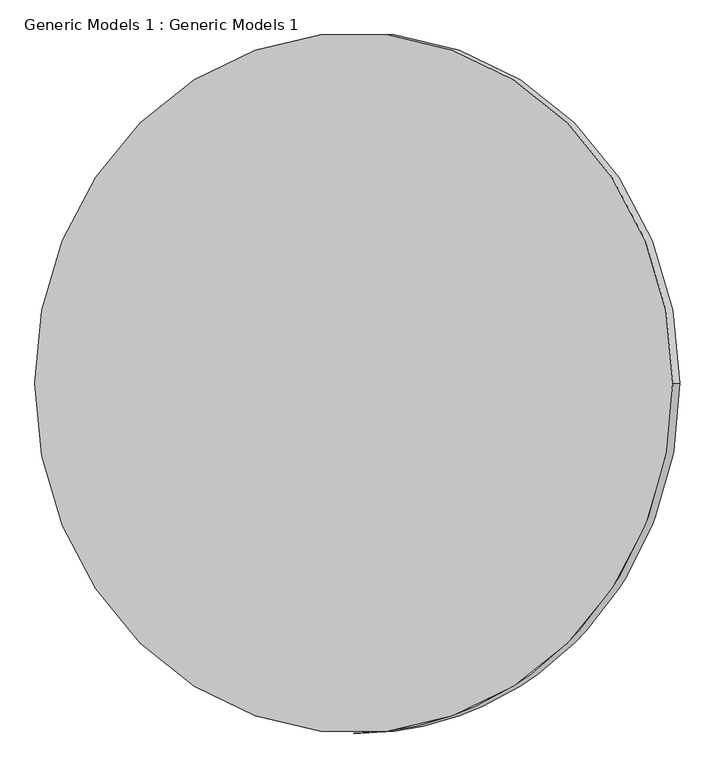
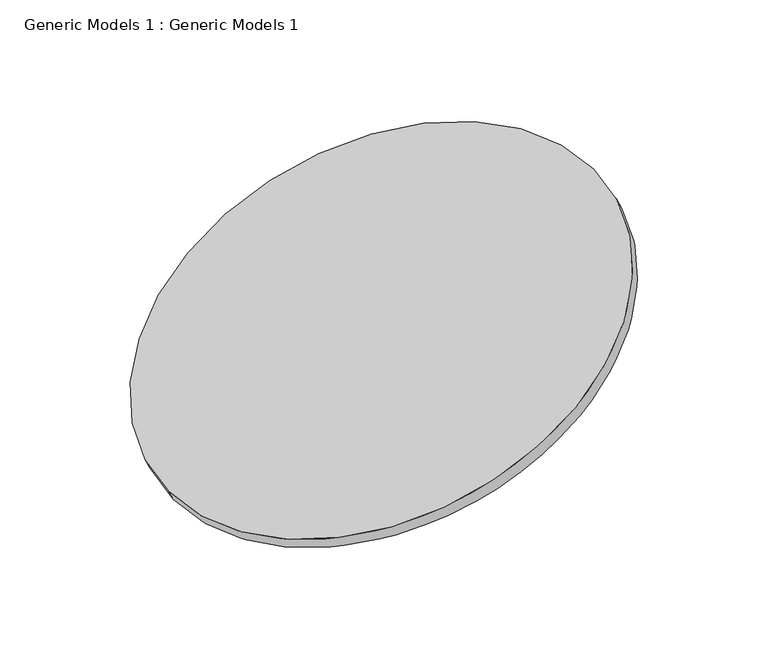
"""IFC4 building model written with IfcOpenShell, lengths in millimetres: proxy geometry, Generic Models 1 : Generic Models 1."""

from ifc_helpers import new_model, si_unit, point, frame, frame_2d, origin, place, context, project, spatial, circle_curve, trimmed, segment, composite_curve, outline, extrude, source, transform, mapped, element, save


def generic_models_1_generic_models_1_03047272(model_context):
    return source(origin(), model_context, "Body", "SweptSolid", [
        extrude(outline(composite_curve([segment(trimmed(circle_curve(frame_2d((0.0, -4200.0)), 4200.0), [point((0.0, -8400.0000001))], [point((0.0, 0.0))], False, "CARTESIAN"), True, "CONTINUOUS"), segment(trimmed(circle_curve(frame_2d((0.0, -4200.0)), 4200.0), [point((0.0, 0.0))], [point((0.0, -8400.0000001))], False, "CARTESIAN"), True, "CONTINUOUS")], self_intersect=False)), frame((-4406.0812167, 4.3420505, 8085.3181602), z_axis=(-0.4115867224264955, 0.0, 0.9113705996586762), x_axis=(0.0, 1.0, 0.0)), (0.0, 0.0, 1.0), 200.0),
    ])


if __name__ == "__main__":
    model = new_model("IFC4")
    model_context = context("Model", 3, world=origin())
    ifc_project = project(units=[si_unit("LENGTHUNIT", "METRE", prefix="MILLI")], contexts=[model_context])
    site = spatial("IfcSite", under=ifc_project)
    building = spatial("IfcBuilding", under=site)
    placement = place(None, origin())
    generic_models_1_generic_models_1_shape = generic_models_1_generic_models_1_03047272(model_context)
    element("IfcBuildingElementProxy", 1, Name="Generic Models 1 : Generic Models 1", ObjectType="Generic Models 1 : Generic Models 1", at=placement, inside=building, context=model_context, shape_type="MappedRepresentation", body=[
        mapped(generic_models_1_generic_models_1_shape, transform((0.0, 0.0, 0.0), x_axis=(1.0, 0.0, 0.0), y_axis=(0.0, 1.0, 0.0), z_axis=(0.0, 0.0, 1.0))),
    ])
    save(model, "model.ifc")
